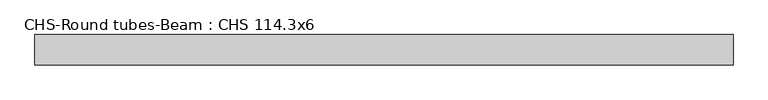
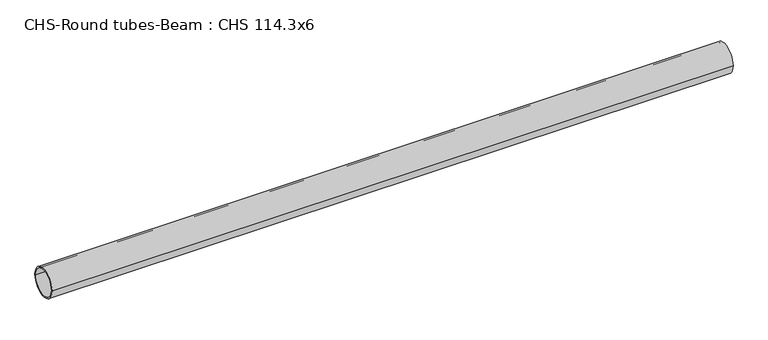
"""IFC4 building model written with IfcOpenShell, lengths in millimetres: beam geometry, CHS-Round tubes-Beam : CHS 114.3x6."""

from ifc_helpers import new_model, si_unit, point, frame, origin, origin_2d, place, context, project, spatial, circle_curve, trimmed, segment, composite_curve, outline, extrude, source, transform, mapped, element, save


def chs_round_tubes_beam_chs_114_3x6_1c8cb56a(model_context):
    return source(origin(), model_context, "Body", "SweptSolid", [
        extrude(outline(composite_curve([segment(trimmed(circle_curve(origin_2d(), 57.15), [point((57.15, 0.0))], [point((-57.15, 0.0))], False, "CARTESIAN"), True, "CONTINUOUS"), segment(trimmed(circle_curve(origin_2d(), 57.15), [point((-57.15, 0.0))], [point((57.15, 0.0))], False, "CARTESIAN"), True, "CONTINUOUS")], self_intersect=False), holes=[composite_curve([segment(trimmed(circle_curve(origin_2d(), 51.15), [point((51.15, 0.0))], [point((-51.15, 0.0))], True, "CARTESIAN"), True, "CONTINUOUS"), segment(trimmed(circle_curve(origin_2d(), 51.15), [point((-51.15, 0.0))], [point((51.15, 0.0))], True, "CARTESIAN"), True, "CONTINUOUS")], self_intersect=False)]), frame((-1270.0179634, 0.0, 0.0), z_axis=(1.0, 0.0, 0.0), x_axis=(0.0, 1.0, 0.0)), (0.0, 0.0, 1.0), 2625.3398345),
    ])


if __name__ == "__main__":
    model = new_model("IFC4")
    model_context = context("Model", 3, world=origin())
    ifc_project = project(units=[si_unit("LENGTHUNIT", "METRE", prefix="MILLI")], contexts=[model_context])
    site = spatial("IfcSite", under=ifc_project)
    building = spatial("IfcBuilding", under=site)
    placement = place(None, origin())
    chs_round_tubes_beam_chs_114_3x6_shape = chs_round_tubes_beam_chs_114_3x6_1c8cb56a(model_context)
    element("IfcBeam", 1, ObjectType="CHS-Round tubes-Beam : CHS 114.3x6", at=placement, inside=building, context=model_context, shape_type="MappedRepresentation", body=[
        mapped(chs_round_tubes_beam_chs_114_3x6_shape, transform((0.0, 0.0, 0.0), x_axis=(1.0, 0.0, 0.0), y_axis=(0.0, 1.0, 0.0), z_axis=(0.0, 0.0, 1.0))),
    ])
    save(model, "model.ifc")
